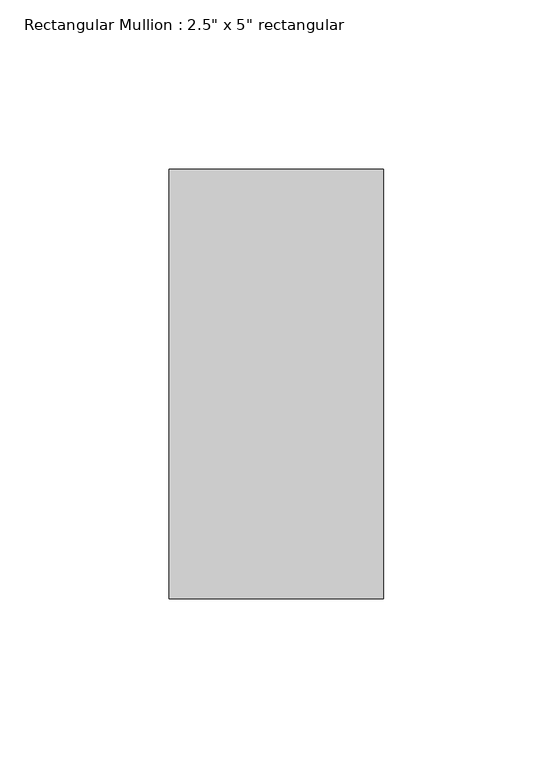
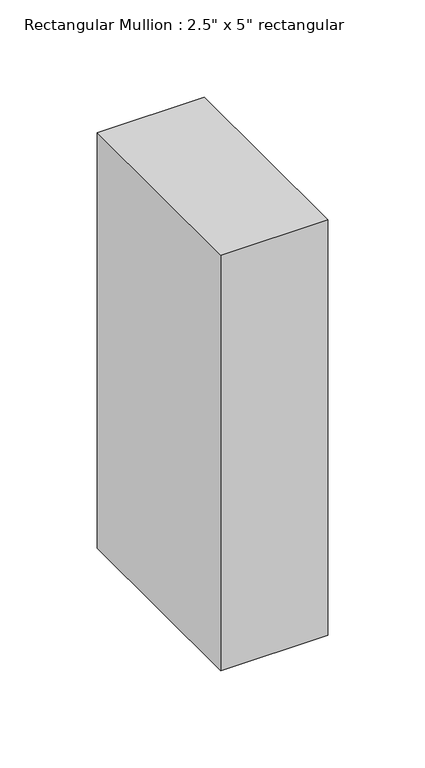
"""IFC4 building model written with IfcOpenShell, lengths in millimetres: member geometry."""

import ifcopenshell
import ifcopenshell.guid

model = None  # the IFC model being written
_history = None  # IfcOwnerHistory: only IFC2X3 demands one
_inside = {}  # id of a spatial element -> (the spatial element, [elements in it])
_under = {}  # id of a project, library or spatial element -> (it, [spatial elements below it])
_declared = {}  # id of a project -> (the project, [libraries it declares])
_typed = {}  # id of a type object -> (the type object, [elements of that type])
_made_of = {}  # id of a material, layer set ... -> (it, [elements and type objects made of it])


def new_model(schema):
    """Start an empty IFC model of exactly this schema.

    Asked for "IFC4X3", IfcOpenShell would pick the latest addendum, in which some entities
    have other attributes; the version numbers below select the first issue.
    IFC2X3 requires an IfcOwnerHistory on every rooted entity: one is made here for all.
    """
    global model, _history
    if schema == "IFC4X3":
        model = ifcopenshell.file(schema_version=(4, 3, 0, 0))
    else:
        model = ifcopenshell.file(schema=schema)
    _inside.clear()
    _under.clear()
    _declared.clear()
    _typed.clear()
    _made_of.clear()
    _history = None
    if model.schema == "IFC2X3":
        org = make("IfcOrganization", Name="unknown")
        user = make(
            "IfcPersonAndOrganization",
            ThePerson=make("IfcPerson", FamilyName="unknown"),
            TheOrganization=org,
        )
        app = make(
            "IfcApplication",
            ApplicationDeveloper=org,
            Version="unknown",
            ApplicationFullName="unknown",
            ApplicationIdentifier="unknown",
        )
        _history = make(
            "IfcOwnerHistory",
            OwningUser=user,
            OwningApplication=app,
            ChangeAction="ADDED",
            CreationDate=0,
        )
    return model


def make(cls, **values):
    """One entity of the class cls with the attributes given. An attribute that is None is left unset."""
    return model.create_entity(
        cls, **{name: value for name, value in values.items() if value is not None}
    )


def rooted(cls, **values):
    """An entity with a GlobalId (a new one), such as an element, a storey or a relation."""
    return make(cls, GlobalId=ifcopenshell.guid.new(), OwnerHistory=_history, **values)


def si_unit(unit_type, name, prefix=None):
    """IfcSIUnit, for example si_unit("LENGTHUNIT", "METRE", prefix="MILLI")."""
    return make("IfcSIUnit", UnitType=unit_type, Prefix=prefix, Name=name)


def assignment(units):
    """IfcUnitAssignment: the units of a project."""
    return None if units is None else make("IfcUnitAssignment", Units=units)


def point(xyz):
    """IfcCartesianPoint."""
    return None if xyz is None else make("IfcCartesianPoint", Coordinates=xyz)


def direction(xyz):
    """IfcDirection."""
    return None if xyz is None else make("IfcDirection", DirectionRatios=xyz)


def frame(location, z_axis=None, x_axis=None):
    """IfcAxis2Placement3D, a coordinate frame: its origin and axes. An axis left out is left unset."""
    return make(
        "IfcAxis2Placement3D",
        Location=point(location),
        Axis=direction(z_axis),
        RefDirection=direction(x_axis),
    )


def origin():
    """The frame at (0, 0, 0) with its axes left unset."""
    return frame((0.0, 0.0, 0.0))


def place(relative_to, where):
    """IfcLocalPlacement: puts the frame where relative to a parent placement (None: the world)."""
    return make(
        "IfcLocalPlacement", PlacementRelTo=relative_to, RelativePlacement=where
    )


def context(
    kind, dimensions, precision=None, world=None, true_north=None, identifier=None
):
    """IfcGeometricRepresentationContext, for example the 3D "Model" context."""
    return make(
        "IfcGeometricRepresentationContext",
        ContextIdentifier=identifier,
        ContextType=kind,
        CoordinateSpaceDimension=dimensions,
        Precision=precision,
        WorldCoordinateSystem=world,
        TrueNorth=true_north,
    )


def project(units=None, contexts=None):
    """IfcProject with its units and contexts."""
    return rooted(
        "IfcProject",
        Name="project",
        RepresentationContexts=contexts,
        UnitsInContext=assignment(units),
    )


def spatial(cls, under=None, at=None, **own):
    """A site, building, storey or space (cls), placed at a placement, below another one or the project."""
    s = rooted(cls, ObjectPlacement=at, **own)
    if under is not None:
        _under.setdefault(under.id(), (under, []))[1].append(s)
    return s


def polyline(points):
    """IfcPolyline through the points."""
    return make("IfcPolyline", Points=[point(p) for p in points])


def outline(outer, holes=None, kind="AREA"):
    """IfcArbitraryClosedProfileDef: a profile drawn as a closed curve; with holes, ...WithVoids."""
    if holes is None:
        return make("IfcArbitraryClosedProfileDef", ProfileType=kind, OuterCurve=outer)
    return make(
        "IfcArbitraryProfileDefWithVoids",
        ProfileType=kind,
        OuterCurve=outer,
        InnerCurves=holes,
    )


def extrude(swept, where, along, depth):
    """IfcExtrudedAreaSolid: the profile swept, set in the frame where, extruded along a direction by depth."""
    return make(
        "IfcExtrudedAreaSolid",
        SweptArea=swept,
        Position=where,
        ExtrudedDirection=direction(along),
        Depth=depth,
    )


def shape(context_of_items, identifier, shape_type, items):
    """IfcShapeRepresentation: the items that make up one representation, for example the "Body"."""
    return make(
        "IfcShapeRepresentation",
        ContextOfItems=context_of_items,
        RepresentationIdentifier=identifier,
        RepresentationType=shape_type,
        Items=items,
    )


def source(mapping_origin, context_of_items, identifier, shape_type, items):
    """IfcRepresentationMap: a shape defined once, which mapped items show again and again."""
    return make(
        "IfcRepresentationMap",
        MappingOrigin=mapping_origin,
        MappedRepresentation=shape(context_of_items, identifier, shape_type, items),
    )


def transform(
    local_origin,
    x_axis=None,
    y_axis=None,
    z_axis=None,
    scale=None,
    scale2=None,
    scale3=None,
    uniform=True,
):
    """IfcCartesianTransformationOperator3D, or its non-uniform kind. x_axis, y_axis, z_axis: its Axis1, 2, 3."""
    if uniform:
        return make(
            "IfcCartesianTransformationOperator3D",
            Axis1=direction(x_axis),
            Axis2=direction(y_axis),
            LocalOrigin=point(local_origin),
            Scale=scale,
            Axis3=direction(z_axis),
        )
    return make(
        "IfcCartesianTransformationOperator3DnonUniform",
        Axis1=direction(x_axis),
        Axis2=direction(y_axis),
        LocalOrigin=point(local_origin),
        Scale=scale,
        Axis3=direction(z_axis),
        Scale2=scale2,
        Scale3=scale3,
    )


def mapped(mapping_source, mapping_target):
    """IfcMappedItem: shows the shape of a source again, moved by a transform."""
    return make(
        "IfcMappedItem", MappingSource=mapping_source, MappingTarget=mapping_target
    )


def made_of(thing, what):
    """Note that an element or type object is made of a material, layer set ...; save() writes the relation."""
    if what is not None:
        _made_of.setdefault(what.id(), (what, []))[1].append(thing)
    return thing


def element(
    cls,
    number,
    at=None,
    inside=None,
    cuts=None,
    type_object=None,
    material=None,
    context=None,
    identifier="Body",
    shape_type=None,
    held_by="IfcProductDefinitionShape",
    body=None,
    shapes=None,
    **own,
):
    """One element of the class cls, such as IfcWall. Its Tag is "e" and its number.

    at: its placement. inside: the storey or other place that contains it. cuts: it is an
    opening in that element (IfcRelVoidsElement). A single representation is given by context,
    identifier, shape_type and body (its items); several are given by shapes. held_by: the class
    of the entity that holds the representations. save() writes the other relations.
    """
    e = rooted(cls, Tag="e%d" % number, ObjectPlacement=at, **own)
    if body is not None:
        shapes = [shape(context, identifier, shape_type, body)]
    if shapes is not None:
        e.Representation = make(held_by, Representations=shapes)
    if inside is not None:
        _inside.setdefault(inside.id(), (inside, []))[1].append(e)
    if cuts is not None:
        rooted(
            "IfcRelVoidsElement", RelatingBuildingElement=cuts, RelatedOpeningElement=e
        )
    if type_object is not None:
        _typed.setdefault(type_object.id(), (type_object, []))[1].append(e)
    return made_of(e, material)


def aggregate(whole, parts):
    """IfcRelAggregates: a whole, such as a stair, and the parts it consists of."""
    return rooted("IfcRelAggregates", RelatingObject=whole, RelatedObjects=parts)


def save(model, path):
    """Write the relations noted so far, then the file.

    IfcRelAggregates (storeys below a building ...), IfcRelContainedInSpatialStructure (elements
    in a storey), IfcRelDefinesByType, IfcRelAssociatesMaterial and IfcRelDeclares: one each for
    every whole, place, type object, material and project.
    """
    for whole, parts in _under.values():
        aggregate(whole, parts)
    for where, things in _inside.values():
        rooted(
            "IfcRelContainedInSpatialStructure",
            RelatedElements=things,
            RelatingStructure=where,
        )
    for kind, things in _typed.values():
        rooted("IfcRelDefinesByType", RelatedObjects=things, RelatingType=kind)
    for what, things in _made_of.values():
        rooted("IfcRelAssociatesMaterial", RelatedObjects=things, RelatingMaterial=what)
    for by, libraries in _declared.values():
        rooted("IfcRelDeclares", RelatingContext=by, RelatedDefinitions=libraries)
    model.write(path)


def member_4dc6224f(model_context):
    return source(origin(), model_context, "Body", "SweptSolid", [
        extrude(outline(polyline([(0.0, 63.5), (0.0, -63.5), (-63.5, -63.5), (-63.5, 63.5), (0.0, 63.5)])), frame((0.0, 0.0, -260.9040809), z_axis=(0.0, 0.0, 1.0), x_axis=(1.0, 0.0, 0.0)), (0.0, 0.0, 1.0), 260.9040809),
    ])


if __name__ == "__main__":
    model = new_model("IFC4")
    model_context = context("Model", 3, world=origin())
    ifc_project = project(units=[si_unit("LENGTHUNIT", "METRE", prefix="MILLI")], contexts=[model_context])
    site = spatial("IfcSite", under=ifc_project)
    building = spatial("IfcBuilding", under=site)
    placement = place(None, origin())
    member_shape = member_4dc6224f(model_context)
    element("IfcMember", 1, ObjectType="Rectangular Mullion : 2.5\" x 5\" rectangular", at=placement, inside=building, context=model_context, shape_type="MappedRepresentation", body=[
        mapped(member_shape, transform((0.0, 0.0, 0.0), x_axis=(1.0, 0.0, 0.0), y_axis=(0.0, 1.0, 0.0), z_axis=(0.0, 0.0, 1.0))),
    ])
    save(model, "model.ifc")
